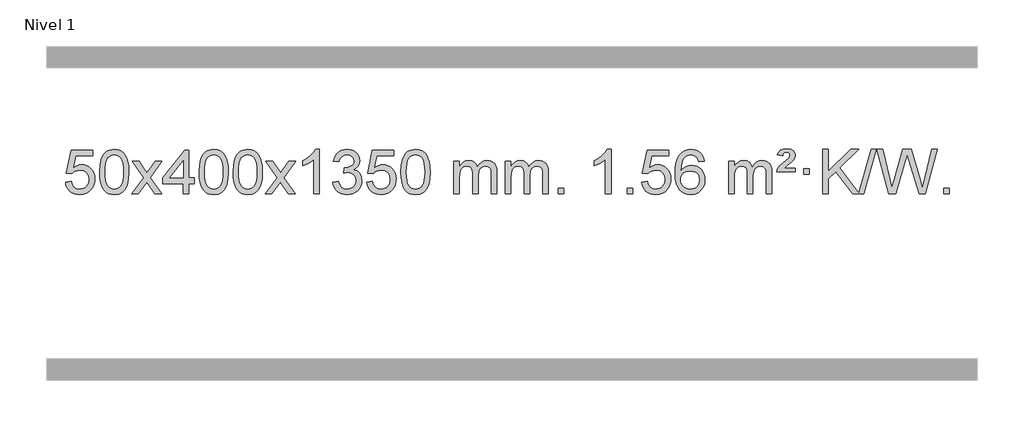
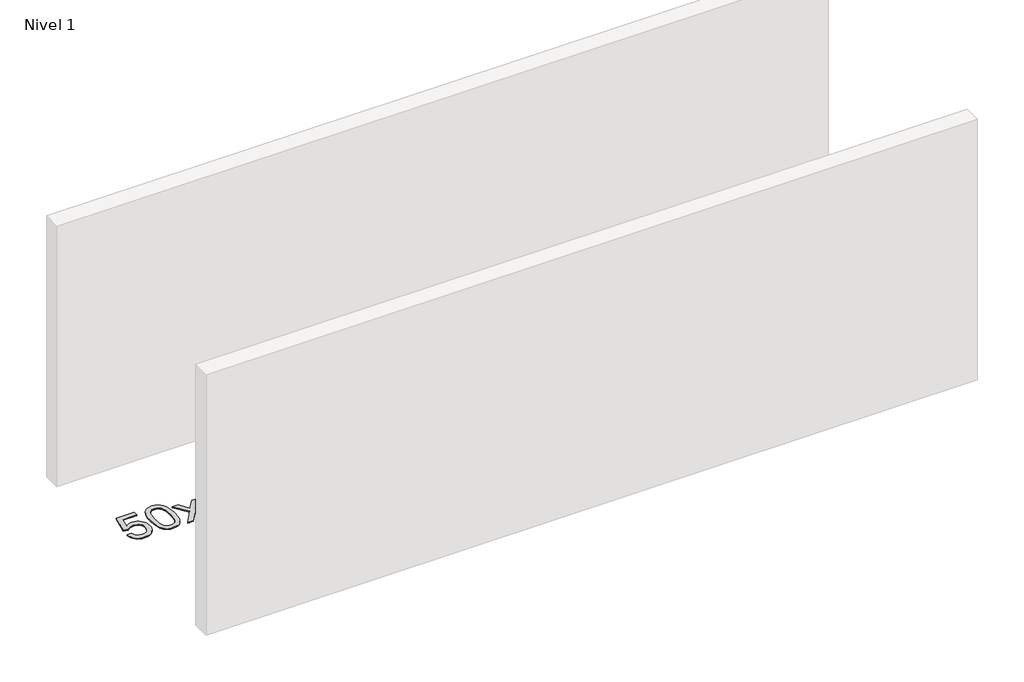
# One storey, part 4 of 7: 1 proxy.
"""IFC4 building model written with IfcOpenShell, lengths in millimetres."""

from ifc_helpers import new_model, si_unit, origin, origin_with_axes, place, context, project, spatial, polyline, outline, extrude, element, save

model = new_model("IFC4")

# Units and contexts
model_context = context("Model", 3, world=origin())
ifc_project = project(units=[si_unit("LENGTHUNIT", "METRE", prefix="MILLI")], contexts=[model_context])

# Site, building, storey
site = spatial("IfcSite", under=ifc_project)
building = spatial("IfcBuilding", under=site)
storey = spatial("IfcBuildingStorey", under=building, Name="Nivel 1", Elevation=0.0)

# Proxy
placement = place(None, origin())
element("IfcBuildingElementProxy", 1, Name="Texto de modelo 1", ObjectType="Texto de modelo 1", at=placement, inside=storey, context=model_context, shape_type="SweptSolid", body=[
    extrude(outline(polyline([(-26006.1697105, -9858.8446235), (-25955.9415554, -9852.5661041), (-25946.71998, -9882.7201649), (-25930.6312741, -9904.3148381), (-25907.749014, -9917.3010725), (-25878.1467761, -9921.6298173), (-25859.0169124, -9920.1245668), (-25842.1433915, -9915.6088153), (-25827.5262136, -9908.0825628), (-25815.1653786, -9897.5458094), (-25805.3367979, -9884.519721), (-25798.3163832, -9869.5254641), (-25792.7000514, -9833.6324441), (-25797.9607639, -9799.8363514), (-25804.5366546, -9785.9181493), (-25813.7429015, -9773.9865099), (-25825.6101615, -9764.4154467), (-25840.1690915, -9757.5789729), (-25877.3619612, -9752.1097939), (-25901.728012, -9754.2925604), (-25921.4587497, -9760.8408599), (-25937.2163618, -9770.8717757), (-25949.663036, -9783.5023908), (-25999.8911911, -9777.2238715), (-25955.9415554, -9570.0327318), (-25761.3074545, -9570.0327318), (-25761.3074545, -9620.2608869), (-25915.3273831, -9620.2608869), (-25936.8116916, -9730.919791), (-25919.0859108, -9718.2155994), (-25900.9309344, -9709.1411769), (-25882.3467623, -9703.6965234), (-25863.3333945, -9701.8816388), (-25838.8723075, -9704.1318504), (-25816.4039146, -9710.882485), (-25795.9282159, -9722.1335427), (-25777.4452113, -9737.8850234), (-25762.144386, -9757.1743027), (-25751.2152251, -9779.038756), (-25744.6577285, -9803.4783832), (-25742.4718963, -9830.4931844), (-25744.440065, -9856.5147042), (-25750.344571, -9880.7213394), (-25760.1854144, -9903.1130902), (-25773.9625951, -9923.6899565), (-25794.833767, -9944.7634634), (-25819.187555, -9959.8159684), (-25847.0239593, -9968.8474714), (-25878.3429799, -9971.8579724), (-25904.2633321, -9969.9235262), (-25927.6759554, -9964.1201877), (-25948.5808498, -9954.447957), (-25966.9780152, -9940.9068338), (-25982.2849719, -9924.1712688), (-25993.91924, -9904.915712), (-26001.8808195, -9883.1401636), (-26006.1697105, -9858.8446235)])), origin_with_axes(), (0.0, 0.0, 1.0), 10.0),
    extrude(outline(polyline([(-25698.5222606, -9767.9041943), (-25694.8311779, -9703.5861588), (-25683.7579299, -9652.2911459), (-25665.4128811, -9613.2343407), (-25653.5548181, -9598.0009605), (-25639.9063961, -9585.6309284), (-25624.4216298, -9576.0598651), (-25607.0545339, -9569.2233914), (-25566.6733536, -9563.7542124), (-25535.722215, -9566.991574), (-25508.0084381, -9576.7036586), (-25484.8318724, -9592.5103217), (-25467.4923677, -9614.0314184), (-25454.3957686, -9641.0830078), (-25443.94792, -9673.4811488), (-25437.1053149, -9714.6226186), (-25434.8244465, -9767.9041943), (-25438.478741, -9831.8543477), (-25449.4416244, -9883.0267333), (-25467.6763087, -9922.1203266), (-25479.5067805, -9937.3996922), (-25493.1460055, -9949.8341036), (-25508.6491659, -9959.4695462), (-25526.071444, -9966.3520052), (-25566.6733536, -9971.8579724), (-25594.3380796, -9969.4667394), (-25618.8635459, -9962.2930405), (-25640.2497526, -9950.3368757), (-25658.4966996, -9933.5982449), (-25676.0078825, -9903.3399508), (-25688.5158704, -9865.6381776), (-25696.0206631, -9820.4929255), (-25698.5222606, -9767.9041943)]), holes=[polyline([(-25648.2941056, -9767.8060924), (-25646.8225776, -9811.4706195), (-25642.4079936, -9846.8148822), (-25635.0503537, -9873.8388804), (-25624.7496579, -9892.5426142), (-25612.290721, -9905.2682656), (-25598.4583579, -9914.3580165), (-25583.2525688, -9919.8118671), (-25566.6733536, -9921.6298173), (-25550.0941383, -9919.8057357), (-25534.8883492, -9914.3334911), (-25521.0559862, -9905.2130833), (-25508.5970493, -9892.4445124), (-25498.2963534, -9873.7101217), (-25490.9387135, -9846.6922549), (-25486.5241295, -9811.3909118), (-25485.0526016, -9767.8060924), (-25486.4750786, -9725.2973278), (-25490.7425098, -9690.5753989), (-25497.854895, -9663.6403055), (-25507.8122343, -9644.4920476), (-25520.0627048, -9631.1440625), (-25534.0544833, -9621.6097875), (-25549.78757, -9615.8892225), (-25567.2619648, -9613.9823675), (-25583.7553409, -9615.6623619), (-25598.7036126, -9620.7023452), (-25612.10678, -9629.1023175), (-25623.9648429, -9640.8622786), (-25634.6088953, -9661.708925), (-25642.2117899, -9689.8151094), (-25646.7735266, -9725.1808319), (-25648.2941056, -9767.8060924)])]), origin_with_axes(), (0.0, 0.0, 1.0), 10.0),
    extrude(outline(polyline([(-25409.7103689, -9965.579453), (-25302.3869282, -9817.2494325), (-25403.4318496, -9670.4890419), (-25343.0011005, -9670.4890419), (-25294.2444734, -9741.122385), (-25271.4848406, -9774.4770192), (-25251.7663657, -9747.2047007), (-25196.2407099, -9670.4890419), (-25135.8099608, -9670.4890419), (-25241.9561791, -9817.2494325), (-25139.7340354, -9965.579453), (-25200.1647845, -9965.579453), (-25261.6746541, -9876.4048574), (-25272.9563686, -9860.1199477), (-25349.2796199, -9965.579453), (-25409.7103689, -9965.579453)])), origin_with_axes(), (0.0, 0.0, 1.0), 10.0),
    extrude(outline(polyline([(-24945.0999345, -9965.579453), (-24945.0999345, -9871.4016622), (-25127.1769967, -9871.4016622), (-25127.1769967, -9821.1735072), (-24932.5428957, -9570.0327318), (-24894.8717794, -9570.0327318), (-24894.8717794, -9821.1735072), (-24844.6436244, -9821.1735072), (-24844.6436244, -9871.4016622), (-24894.8717794, -9871.4016622), (-24894.8717794, -9965.579453), (-24945.0999345, -9965.579453)]), holes=[polyline([(-24945.0999345, -9821.1735072), (-24945.0999345, -9665.9763561), (-25065.3728215, -9821.1735072), (-24945.0999345, -9821.1735072)])]), origin_with_axes(), (0.0, 0.0, 1.0), 10.0),
    extrude(outline(polyline([(-24800.6939887, -9767.9041943), (-24797.002906, -9703.5861588), (-24785.9296579, -9652.2911459), (-24767.5846091, -9613.2343407), (-24755.7265461, -9598.0009605), (-24742.0781241, -9585.6309284), (-24726.5933578, -9576.0598651), (-24709.2262619, -9569.2233914), (-24668.8450816, -9563.7542124), (-24637.8939431, -9566.991574), (-24610.1801661, -9576.7036586), (-24587.0036004, -9592.5103217), (-24569.6640957, -9614.0314184), (-24556.5674967, -9641.0830078), (-24546.119648, -9673.4811488), (-24539.2770429, -9714.6226186), (-24536.9961745, -9767.9041943), (-24540.650469, -9831.8543477), (-24551.6133525, -9883.0267333), (-24569.8480367, -9922.1203266), (-24581.6785085, -9937.3996922), (-24595.3177335, -9949.8341036), (-24610.8208939, -9959.4695462), (-24628.2431721, -9966.3520052), (-24668.8450816, -9971.8579724), (-24696.5098076, -9969.4667394), (-24721.035274, -9962.2930405), (-24742.4214806, -9950.3368757), (-24760.6684276, -9933.5982449), (-24778.1796106, -9903.3399508), (-24790.6875984, -9865.6381776), (-24798.1923911, -9820.4929255), (-24800.6939887, -9767.9041943)]), holes=[polyline([(-24750.4658336, -9767.8060924), (-24748.9943056, -9811.4706195), (-24744.5797217, -9846.8148822), (-24737.2220818, -9873.8388804), (-24726.9213859, -9892.5426142), (-24714.462449, -9905.2682656), (-24700.630086, -9914.3580165), (-24685.4242968, -9919.8118671), (-24668.8450816, -9921.6298173), (-24652.2658663, -9919.8057357), (-24637.0600772, -9914.3334911), (-24623.2277142, -9905.2130833), (-24610.7687773, -9892.4445124), (-24600.4680814, -9873.7101217), (-24593.1104415, -9846.6922549), (-24588.6958576, -9811.3909118), (-24587.2243296, -9767.8060924), (-24588.6468066, -9725.2973278), (-24592.9142378, -9690.5753989), (-24600.026623, -9663.6403055), (-24609.9839624, -9644.4920476), (-24622.2344328, -9631.1440625), (-24636.2262114, -9621.6097875), (-24651.959298, -9615.8892225), (-24669.4336928, -9613.9823675), (-24685.9270689, -9615.6623619), (-24700.8753406, -9620.7023452), (-24714.278508, -9629.1023175), (-24726.136571, -9640.8622786), (-24736.7806234, -9661.708925), (-24744.3835179, -9689.8151094), (-24748.9452547, -9725.1808319), (-24750.4658336, -9767.8060924)])]), origin_with_axes(), (0.0, 0.0, 1.0), 10.0),
    extrude(outline(polyline([(-24493.0465388, -9767.9041943), (-24489.3554561, -9703.5861588), (-24478.2822081, -9652.2911459), (-24459.9371593, -9613.2343407), (-24448.0790963, -9598.0009605), (-24434.4306743, -9585.6309284), (-24418.945908, -9576.0598651), (-24401.5788121, -9569.2233914), (-24361.1976318, -9563.7542124), (-24330.2464932, -9566.991574), (-24302.5327163, -9576.7036586), (-24279.3561506, -9592.5103217), (-24262.0166459, -9614.0314184), (-24248.9200468, -9641.0830078), (-24238.4721982, -9673.4811488), (-24231.6295931, -9714.6226186), (-24229.3487247, -9767.9041943), (-24233.0030192, -9831.8543477), (-24243.9659026, -9883.0267333), (-24262.2005869, -9922.1203266), (-24274.0310587, -9937.3996922), (-24287.6702837, -9949.8341036), (-24303.1734441, -9959.4695462), (-24320.5957222, -9966.3520052), (-24361.1976318, -9971.8579724), (-24388.8623578, -9969.4667394), (-24413.3878241, -9962.2930405), (-24434.7740308, -9950.3368757), (-24453.0209778, -9933.5982449), (-24470.5321607, -9903.3399508), (-24483.0401486, -9865.6381776), (-24490.5449413, -9820.4929255), (-24493.0465388, -9767.9041943)]), holes=[polyline([(-24442.8183838, -9767.8060924), (-24441.3468558, -9811.4706195), (-24436.9322718, -9846.8148822), (-24429.5746319, -9873.8388804), (-24419.2739361, -9892.5426142), (-24406.8149992, -9905.2682656), (-24392.9826361, -9914.3580165), (-24377.776847, -9919.8118671), (-24361.1976318, -9921.6298173), (-24344.6184165, -9919.8057357), (-24329.4126274, -9914.3334911), (-24315.5802644, -9905.2130833), (-24303.1213275, -9892.4445124), (-24292.8206316, -9873.7101217), (-24285.4629917, -9846.6922549), (-24281.0484077, -9811.3909118), (-24279.5768798, -9767.8060924), (-24280.9993568, -9725.2973278), (-24285.266788, -9690.5753989), (-24292.3791732, -9663.6403055), (-24302.3365125, -9644.4920476), (-24314.586983, -9631.1440625), (-24328.5787615, -9621.6097875), (-24344.3118482, -9615.8892225), (-24361.786243, -9613.9823675), (-24378.2796191, -9615.6623619), (-24393.2278908, -9620.7023452), (-24406.6310582, -9629.1023175), (-24418.4891211, -9640.8622786), (-24429.1331735, -9661.708925), (-24436.7360681, -9689.8151094), (-24441.2978048, -9725.1808319), (-24442.8183838, -9767.8060924)])]), origin_with_axes(), (0.0, 0.0, 1.0), 10.0),
    extrude(outline(polyline([(-24204.2346472, -9965.579453), (-24096.9112064, -9817.2494325), (-24197.9561278, -9670.4890419), (-24137.5253787, -9670.4890419), (-24088.7687516, -9741.122385), (-24066.0091188, -9774.4770192), (-24046.2906439, -9747.2047007), (-23990.7649881, -9670.4890419), (-23930.334239, -9670.4890419), (-24036.4804574, -9817.2494325), (-23934.2583136, -9965.579453), (-23994.6890627, -9965.579453), (-24056.1989323, -9876.4048574), (-24067.4806468, -9860.1199477), (-24143.8038981, -9965.579453), (-24204.2346472, -9965.579453)])), origin_with_axes(), (0.0, 0.0, 1.0), 10.0),
    extrude(outline(polyline([(-23714.5101352, -9965.579453), (-23764.7382902, -9965.579453), (-23764.7382902, -9652.4382987), (-23785.707564, -9669.3976587), (-23812.317695, -9686.3324932), (-23865.1946004, -9711.6918254), (-23865.1946004, -9664.2105225), (-23825.7453878, -9642.7507395), (-23791.5691504, -9617.219729), (-23764.6279257, -9590.0700378), (-23746.8837508, -9563.7542124), (-23714.5101352, -9563.7542124), (-23714.5101352, -9965.579453)])), origin_with_axes(), (0.0, 0.0, 1.0), 10.0),
    extrude(outline(polyline([(-23595.2182669, -9858.8446235), (-23544.9901118, -9852.5661041), (-23533.7451855, -9884.1303793), (-23517.2763348, -9905.4430095), (-23494.7742195, -9917.5831154), (-23465.429499, -9921.6298173), (-23430.9957442, -9916.0625364), (-23416.7219228, -9909.1034354), (-23404.4101387, -9899.3606939), (-23387.4139905, -9874.4428201), (-23381.7486078, -9844.2274455), (-23387.3649396, -9815.5449126), (-23404.213935, -9792.2825078), (-23429.72042, -9776.8682522), (-23461.3092206, -9771.730167), (-23496.5277903, -9777.2238715), (-23490.935984, -9726.9957164), (-23482.891631, -9727.5843276), (-23452.7988838, -9723.979084), (-23425.8944472, -9713.1633534), (-23414.8211992, -9704.9841103), (-23406.9117363, -9694.8673555), (-23402.1660585, -9682.8130888), (-23400.584166, -9668.8213102), (-23405.1704282, -9647.1285352), (-23418.9292148, -9629.5315131), (-23439.923014, -9617.8696539), (-23466.2143139, -9613.9823675), (-23492.5546648, -9617.9064421), (-23514.0880242, -9629.6786659), (-23529.8088481, -9649.299039), (-23538.7115924, -9676.7675613), (-23588.9397475, -9670.4890419), (-23582.9861905, -9646.5092672), (-23574.1508913, -9625.3867093), (-23562.4338497, -9607.1213683), (-23547.8350659, -9591.713244), (-23530.8143922, -9579.4811677), (-23511.8316813, -9570.7439703), (-23490.886933, -9565.5016519), (-23467.9801475, -9563.7542124), (-23436.4036096, -9567.2000404), (-23407.4022456, -9577.5375245), (-23382.9503557, -9593.8469596), (-23365.0222398, -9615.2086408), (-23354.0225681, -9639.8199463), (-23350.3560109, -9665.8782543), (-23353.8386271, -9690.1584659), (-23364.2864758, -9712.1823347), (-23381.5524041, -9730.9443165), (-23405.4892592, -9745.4388671), (-23374.0476114, -9758.1430586), (-23350.7484183, -9779.77452), (-23336.3274441, -9809.1560286), (-23331.5204527, -9845.1103623), (-23333.9239484, -9870.5923218), (-23341.1344355, -9894.0631931), (-23353.151914, -9915.5229762), (-23369.976384, -9934.971671), (-23390.4735425, -9951.1094278), (-23413.5090867, -9962.636397), (-23439.0830168, -9969.5525785), (-23467.1953326, -9971.8579724), (-23492.6037157, -9969.8898037), (-23515.7557559, -9963.9852977), (-23536.6514532, -9954.1444543), (-23555.2908077, -9940.3672736), (-23570.9196611, -9923.4630959), (-23582.7838554, -9904.2412617), (-23590.8833907, -9882.7017708), (-23595.2182669, -9858.8446235)])), origin_with_axes(), (0.0, 0.0, 1.0), 10.0),
    extrude(outline(polyline([(-23287.570817, -9858.8446235), (-23237.342662, -9852.5661041), (-23228.1210866, -9882.7201649), (-23212.0323807, -9904.3148381), (-23189.1501206, -9917.3010725), (-23159.5478827, -9921.6298173), (-23140.418019, -9920.1245668), (-23123.5444981, -9915.6088153), (-23108.9273202, -9908.0825628), (-23096.5664851, -9897.5458094), (-23086.7379045, -9884.519721), (-23079.7174898, -9869.5254641), (-23074.101158, -9833.6324441), (-23079.3618705, -9799.8363514), (-23085.9377612, -9785.9181493), (-23095.1440081, -9773.9865099), (-23107.0112681, -9764.4154467), (-23121.5701981, -9757.5789729), (-23158.7630678, -9752.1097939), (-23183.1291186, -9754.2925604), (-23202.8598563, -9760.8408599), (-23218.6174684, -9770.8717757), (-23231.0641426, -9783.5023908), (-23281.2922977, -9777.2238715), (-23237.342662, -9570.0327318), (-23042.708561, -9570.0327318), (-23042.708561, -9620.2608869), (-23196.7284897, -9620.2608869), (-23218.2127982, -9730.919791), (-23200.4870174, -9718.2155994), (-23182.332041, -9709.1411769), (-23163.7478688, -9703.6965234), (-23144.734501, -9701.8816388), (-23120.273414, -9704.1318504), (-23097.8050212, -9710.882485), (-23077.3293225, -9722.1335427), (-23058.8463179, -9737.8850234), (-23043.5454926, -9757.1743027), (-23032.6163316, -9779.038756), (-23026.0588351, -9803.4783832), (-23023.8730029, -9830.4931844), (-23025.8411716, -9856.5147042), (-23031.7456776, -9880.7213394), (-23041.586521, -9903.1130902), (-23055.3637017, -9923.6899565), (-23076.2348735, -9944.7634634), (-23100.5886616, -9959.8159684), (-23128.4250659, -9968.8474714), (-23159.7440864, -9971.8579724), (-23185.6644387, -9969.9235262), (-23209.077062, -9964.1201877), (-23229.9819564, -9954.447957), (-23248.3791218, -9940.9068338), (-23263.6860785, -9924.1712688), (-23275.3203466, -9904.915712), (-23283.2819261, -9883.1401636), (-23287.570817, -9858.8446235)])), origin_with_axes(), (0.0, 0.0, 1.0), 10.0),
    extrude(outline(polyline([(-22979.9233672, -9767.9041943), (-22976.2322845, -9703.5861588), (-22965.1590365, -9652.2911459), (-22946.8139876, -9613.2343407), (-22934.9559247, -9598.0009605), (-22921.3075026, -9585.6309284), (-22905.8227363, -9576.0598651), (-22888.4556405, -9569.2233914), (-22848.0744601, -9563.7542124), (-22817.1233216, -9566.991574), (-22789.4095446, -9576.7036586), (-22766.2329789, -9592.5103217), (-22748.8934742, -9614.0314184), (-22735.7968752, -9641.0830078), (-22725.3490265, -9673.4811488), (-22718.5064214, -9714.6226186), (-22716.2255531, -9767.9041943), (-22719.8798475, -9831.8543477), (-22730.842731, -9883.0267333), (-22749.0774152, -9922.1203266), (-22760.9078871, -9937.3996922), (-22774.547112, -9949.8341036), (-22790.0502724, -9959.4695462), (-22807.4725506, -9966.3520052), (-22848.0744601, -9971.8579724), (-22875.7391862, -9969.4667394), (-22900.2646525, -9962.2930405), (-22921.6508592, -9950.3368757), (-22939.8978061, -9933.5982449), (-22957.4089891, -9903.3399508), (-22969.9169769, -9865.6381776), (-22977.4217696, -9820.4929255), (-22979.9233672, -9767.9041943)]), holes=[polyline([(-22929.6952121, -9767.8060924), (-22928.2236842, -9811.4706195), (-22923.8091002, -9846.8148822), (-22916.4514603, -9873.8388804), (-22906.1507644, -9892.5426142), (-22893.6918275, -9905.2682656), (-22879.8594645, -9914.3580165), (-22864.6536754, -9919.8118671), (-22848.0744601, -9921.6298173), (-22831.4952449, -9919.8057357), (-22816.2894558, -9914.3334911), (-22802.4570927, -9905.2130833), (-22789.9981558, -9892.4445124), (-22779.69746, -9873.7101217), (-22772.3398201, -9846.6922549), (-22767.9252361, -9811.3909118), (-22766.4537081, -9767.8060924), (-22767.8761852, -9725.2973278), (-22772.1436163, -9690.5753989), (-22779.2560016, -9663.6403055), (-22789.2133409, -9644.4920476), (-22801.4638113, -9631.1440625), (-22815.4555899, -9621.6097875), (-22831.1886766, -9615.8892225), (-22848.6630713, -9613.9823675), (-22865.1564474, -9615.6623619), (-22880.1047192, -9620.7023452), (-22893.5078865, -9629.1023175), (-22905.3659495, -9640.8622786), (-22916.0100019, -9661.708925), (-22923.6128965, -9689.8151094), (-22928.1746332, -9725.1808319), (-22929.6952121, -9767.8060924)])]), origin_with_axes(), (0.0, 0.0, 1.0), 10.0),
    extrude(outline(polyline([(-22502.755894, -9965.579453), (-22502.755894, -9670.4890419), (-22452.5277389, -9670.4890419), (-22452.5277389, -9719.0494653), (-22437.4200517, -9696.7435536), (-22417.9958823, -9679.2691589), (-22394.9174185, -9667.9751816), (-22368.8468478, -9664.2105225), (-22340.9123416, -9668.048758), (-22318.5205908, -9679.5634645), (-22301.7942228, -9697.9943524), (-22290.8558648, -9722.5811324), (-22272.5476041, -9697.0439906), (-22251.6641696, -9678.803175), (-22228.205561, -9667.8586857), (-22202.1717785, -9664.2105225), (-22182.0639617, -9665.7280358), (-22164.414823, -9670.2805755), (-22149.2243623, -9677.8681416), (-22136.4925796, -9688.4907342), (-22126.4279413, -9702.2709806), (-22119.238914, -9719.3315082), (-22114.9254976, -9739.6723168), (-22113.4876922, -9763.2934066), (-22113.4876922, -9965.579453), (-22163.7158472, -9965.579453), (-22163.7158472, -9784.875817), (-22164.8808069, -9759.8230531), (-22168.3756858, -9742.9372695), (-22174.9239854, -9731.3735121), (-22185.2492067, -9722.2868268), (-22198.5297467, -9716.4007149), (-22213.9440023, -9714.4386776), (-22241.1550072, -9719.4663982), (-22263.3382915, -9734.54956), (-22271.9436645, -9746.1194488), (-22278.0903595, -9760.7182326), (-22283.0077155, -9799.0024856), (-22283.0077155, -9965.579453), (-22333.2358706, -9965.579453), (-22333.2358706, -9779.2840106), (-22336.1421384, -9750.8835206), (-22344.8609417, -9730.6254854), (-22360.2016209, -9718.4853796), (-22382.9735164, -9714.4386776), (-22402.3241093, -9717.1364789), (-22420.1541233, -9725.2298828), (-22434.8694032, -9738.5226856), (-22444.8757934, -9756.8186835), (-22450.6147525, -9782.2025411), (-22452.5277389, -9816.7589232), (-22452.5277389, -9965.579453), (-22502.755894, -9965.579453)])), origin_with_axes(), (0.0, 0.0, 1.0), 10.0),
    extrude(outline(polyline([(-22038.1454596, -9965.579453), (-22038.1454596, -9670.4890419), (-21987.9173045, -9670.4890419), (-21987.9173045, -9719.0494653), (-21972.8096172, -9696.7435536), (-21953.3854479, -9679.2691589), (-21930.306984, -9667.9751816), (-21904.2364133, -9664.2105225), (-21876.3019071, -9668.048758), (-21853.9101564, -9679.5634645), (-21837.1837883, -9697.9943524), (-21826.2454303, -9722.5811324), (-21807.9371697, -9697.0439906), (-21787.0537351, -9678.803175), (-21763.5951266, -9667.8586857), (-21737.561344, -9664.2105225), (-21717.4535273, -9665.7280358), (-21699.8043886, -9670.2805755), (-21684.6139279, -9677.8681416), (-21671.8821452, -9688.4907342), (-21661.8175069, -9702.2709806), (-21654.6284796, -9719.3315082), (-21650.3150632, -9739.6723168), (-21648.8772577, -9763.2934066), (-21648.8772577, -9965.579453), (-21699.1054128, -9965.579453), (-21699.1054128, -9784.875817), (-21700.2703724, -9759.8230531), (-21703.7652514, -9742.9372695), (-21710.3135509, -9731.3735121), (-21720.6387722, -9722.2868268), (-21733.9193123, -9716.4007149), (-21749.3335679, -9714.4386776), (-21776.5445728, -9719.4663982), (-21798.7278571, -9734.54956), (-21807.3332301, -9746.1194488), (-21813.4799251, -9760.7182326), (-21818.3972811, -9799.0024856), (-21818.3972811, -9965.579453), (-21868.6254362, -9965.579453), (-21868.6254362, -9779.2840106), (-21871.5317039, -9750.8835206), (-21880.2505072, -9730.6254854), (-21895.5911864, -9718.4853796), (-21918.3630819, -9714.4386776), (-21937.7136749, -9717.1364789), (-21955.5436889, -9725.2298828), (-21970.2589687, -9738.5226856), (-21980.265359, -9756.8186835), (-21986.0043181, -9782.2025411), (-21987.9173045, -9816.7589232), (-21987.9173045, -9965.579453), (-22038.1454596, -9965.579453)])), origin_with_axes(), (0.0, 0.0, 1.0), 10.0),
    extrude(outline(polyline([(-21560.9779863, -9965.579453), (-21560.9779863, -9915.3512979), (-21510.7498313, -9915.3512979), (-21510.7498313, -9965.579453), (-21560.9779863, -9965.579453)])), origin_with_axes(), (0.0, 0.0, 1.0), 10.0),
    extrude(outline(polyline([(-21083.8105131, -9965.579453), (-21134.0386682, -9965.579453), (-21134.0386682, -9652.4382987), (-21155.0079419, -9669.3976587), (-21181.6180729, -9686.3324932), (-21234.4949784, -9711.6918254), (-21234.4949784, -9664.2105225), (-21195.0457657, -9642.7507395), (-21160.8695284, -9617.219729), (-21133.9283036, -9590.0700378), (-21116.1841287, -9563.7542124), (-21083.8105131, -9563.7542124), (-21083.8105131, -9965.579453)])), origin_with_axes(), (0.0, 0.0, 1.0), 10.0),
    extrude(outline(polyline([(-20939.4045673, -9965.579453), (-20939.4045673, -9915.3512979), (-20889.1764122, -9915.3512979), (-20889.1764122, -9965.579453), (-20939.4045673, -9965.579453)])), origin_with_axes(), (0.0, 0.0, 1.0), 10.0),
    extrude(outline(polyline([(-20807.5556602, -9858.8446235), (-20757.3275051, -9852.5661041), (-20748.1059298, -9882.7201649), (-20732.0172239, -9904.3148381), (-20709.1349638, -9917.3010725), (-20679.5327259, -9921.6298173), (-20660.4028621, -9920.1245668), (-20643.5293413, -9915.6088153), (-20628.9121634, -9908.0825628), (-20616.5513283, -9897.5458094), (-20606.7227477, -9884.519721), (-20599.7023329, -9869.5254641), (-20594.0860012, -9833.6324441), (-20599.3467137, -9799.8363514), (-20605.9226043, -9785.9181493), (-20615.1288513, -9773.9865099), (-20626.9961113, -9764.4154467), (-20641.5550413, -9757.5789729), (-20678.747911, -9752.1097939), (-20703.1139618, -9754.2925604), (-20722.8446995, -9760.8408599), (-20738.6023116, -9770.8717757), (-20751.0489858, -9783.5023908), (-20801.2771408, -9777.2238715), (-20757.3275051, -9570.0327318), (-20562.6934042, -9570.0327318), (-20562.6934042, -9620.2608869), (-20716.7133329, -9620.2608869), (-20738.1976414, -9730.919791), (-20720.4718606, -9718.2155994), (-20702.3168841, -9709.1411769), (-20683.732712, -9703.6965234), (-20664.7193442, -9701.8816388), (-20640.2582572, -9704.1318504), (-20617.7898644, -9710.882485), (-20597.3141657, -9722.1335427), (-20578.8311611, -9737.8850234), (-20563.5303358, -9757.1743027), (-20552.6011748, -9779.038756), (-20546.0436783, -9803.4783832), (-20543.8578461, -9830.4931844), (-20545.8260148, -9856.5147042), (-20551.7305208, -9880.7213394), (-20561.5713641, -9903.1130902), (-20575.3485449, -9923.6899565), (-20596.2197167, -9944.7634634), (-20620.5735048, -9959.8159684), (-20648.4099091, -9968.8474714), (-20679.7289296, -9971.8579724), (-20705.6492819, -9969.9235262), (-20729.0619052, -9964.1201877), (-20749.9667996, -9954.447957), (-20768.363965, -9940.9068338), (-20783.6709217, -9924.1712688), (-20795.3051898, -9904.915712), (-20803.2667693, -9883.1401636), (-20807.5556602, -9858.8446235)])), origin_with_axes(), (0.0, 0.0, 1.0), 10.0),
    extrude(outline(polyline([(-20242.4889156, -9670.4890419), (-20292.7170707, -9676.7675613), (-20300.8104746, -9651.874213), (-20311.7488326, -9634.8780648), (-20334.5329908, -9619.2062918), (-20362.0750895, -9613.9823675), (-20385.4233335, -9617.0235253), (-20407.3981513, -9626.1469988), (-20426.2704977, -9645.3627017), (-20441.6847533, -9671.8134171), (-20452.0958137, -9709.227016), (-20455.9585747, -9761.3313693), (-20435.8109041, -9737.8237098), (-20411.6655825, -9721.2567573), (-20384.8715105, -9711.434308), (-20356.7775888, -9708.1601582), (-20332.6445299, -9710.398107), (-20310.3754065, -9717.1119534), (-20289.9702185, -9728.3016975), (-20271.4289659, -9743.9673391), (-20256.0208417, -9763.1769106), (-20245.0150387, -9784.9984443), (-20238.4115568, -9809.4319401), (-20236.2103962, -9836.4773982), (-20240.3552001, -9872.4439945), (-20252.7896115, -9905.786366), (-20272.483561, -9934.0642287), (-20298.4069789, -9954.8372987), (-20329.3826429, -9967.602804), (-20364.2333306, -9971.8579724), (-20394.1758593, -9969.0375437), (-20421.2182516, -9960.5762579), (-20445.3605076, -9946.4741147), (-20466.6026271, -9926.7311143), (-20483.920672, -9900.5133908), (-20496.2907041, -9866.9870783), (-20503.7127234, -9826.1521768), (-20506.1867298, -9778.0086864), (-20503.4398775, -9724.0342663), (-20495.1993208, -9677.9693092), (-20481.4650597, -9639.8138149), (-20462.2370941, -9609.5677835), (-20441.3965791, -9589.5243462), (-20417.2328633, -9575.2076052), (-20389.7459469, -9566.6175606), (-20358.9358298, -9563.7542124), (-20335.8021837, -9565.5261773), (-20314.8635668, -9570.8420722), (-20296.1199792, -9579.7018969), (-20279.5714207, -9592.1056515), (-20265.6654813, -9607.6364031), (-20254.8497507, -9625.8772186), (-20247.1242288, -9646.8280983), (-20242.4889156, -9670.4890419)]), holes=[polyline([(-20455.9585747, -9835.6925832), (-20453.0523069, -9857.9494439), (-20444.3335036, -9879.2007605), (-20430.7954462, -9897.472233), (-20413.4314161, -9910.7895612), (-20392.4744051, -9918.9197533), (-20368.1574052, -9921.6298173), (-20335.0112374, -9916.0134855), (-20321.0961009, -9908.9930708), (-20308.9529294, -9899.1644901), (-20299.102889, -9886.9262824), (-20292.0671458, -9872.6769865), (-20286.4385513, -9838.1451299), (-20291.9935694, -9804.9989621), (-20298.9373421, -9791.3781312), (-20308.6586238, -9779.725469), (-20320.8385836, -9770.3904634), (-20335.1583902, -9763.7226022), (-20370.2175444, -9758.3883133), (-20403.3146612, -9763.7226022), (-20430.99165, -9779.725469), (-20441.9146795, -9791.2248471), (-20449.7168435, -9804.3858254), (-20454.3981419, -9819.2084042), (-20455.9585747, -9835.6925832)])]), origin_with_axes(), (0.0, 0.0, 1.0), 10.0),
    extrude(outline(polyline([(-20022.7407372, -9965.579453), (-20022.7407372, -9670.4890419), (-19972.5125821, -9670.4890419), (-19972.5125821, -9719.0494653), (-19957.4048948, -9696.7435536), (-19937.9807255, -9679.2691589), (-19914.9022617, -9667.9751816), (-19888.8316909, -9664.2105225), (-19860.8971848, -9668.048758), (-19838.505434, -9679.5634645), (-19821.7790659, -9697.9943524), (-19810.840708, -9722.5811324), (-19792.5324473, -9697.0439906), (-19771.6490127, -9678.803175), (-19748.1904042, -9667.8586857), (-19722.1566217, -9664.2105225), (-19702.0488049, -9665.7280358), (-19684.3996662, -9670.2805755), (-19669.2092055, -9677.8681416), (-19656.4774228, -9688.4907342), (-19646.4127845, -9702.2709806), (-19639.2237572, -9719.3315082), (-19634.9103408, -9739.6723168), (-19633.4725353, -9763.2934066), (-19633.4725353, -9965.579453), (-19683.7006904, -9965.579453), (-19683.7006904, -9784.875817), (-19684.8656501, -9759.8230531), (-19688.360529, -9742.9372695), (-19694.9088285, -9731.3735121), (-19705.2340499, -9722.2868268), (-19718.5145899, -9716.4007149), (-19733.9288455, -9714.4386776), (-19761.1398504, -9719.4663982), (-19783.3231347, -9734.54956), (-19791.9285077, -9746.1194488), (-19798.0752027, -9760.7182326), (-19802.9925587, -9799.0024856), (-19802.9925587, -9965.579453), (-19853.2207138, -9965.579453), (-19853.2207138, -9779.2840106), (-19856.1269816, -9750.8835206), (-19864.8457848, -9730.6254854), (-19880.186464, -9718.4853796), (-19902.9583595, -9714.4386776), (-19922.3089525, -9717.1364789), (-19940.1389665, -9725.2298828), (-19954.8542463, -9738.5226856), (-19964.8606366, -9756.8186835), (-19970.5995957, -9782.2025411), (-19972.5125821, -9816.7589232), (-19972.5125821, -9965.579453), (-20022.7407372, -9965.579453)])), origin_with_axes(), (0.0, 0.0, 1.0), 10.0),
    extrude(outline(polyline([(-19589.5228997, -9764.6668327), (-19585.6969269, -9748.8479069), (-19577.3582683, -9732.9799302), (-19555.8494344, -9707.8413272), (-19523.8927517, -9680.1030247), (-19479.7469123, -9642.726214), (-19472.6100016, -9631.1992448), (-19470.2310314, -9619.3779701), (-19472.1194923, -9607.2869152), (-19477.784875, -9597.5012541), (-19487.1536031, -9591.026531), (-19500.1521003, -9588.8682899), (-19512.5865117, -9590.4869707), (-19521.4402051, -9595.343013), (-19527.8658773, -9604.8098431), (-19533.0162252, -9620.2608869), (-19583.2443803, -9613.9823675), (-19572.4041241, -9588.7701881), (-19555.775858, -9571.2099542), (-19532.0106811, -9560.9092583), (-19499.7596928, -9557.475693), (-19463.9770374, -9561.6082341), (-19439.2308419, -9574.0058573), (-19424.8098677, -9592.3386434), (-19420.0028763, -9614.2766731), (-19424.0986292, -9637.1834586), (-19436.3858878, -9658.8149199), (-19456.9137031, -9678.6314968), (-19493.3830716, -9706.6886303), (-19518.9876584, -9733.2742358), (-19420.0028763, -9733.2742358), (-19420.0028763, -9764.6668327), (-19589.5228997, -9764.6668327)])), origin_with_axes(), (0.0, 0.0, 1.0), 10.0),
    extrude(outline(polyline([(-19344.6606437, -9789.7809102), (-19344.6606437, -9739.5527552), (-19294.4324886, -9739.5527552), (-19294.4324886, -9789.7809102), (-19344.6606437, -9789.7809102)])), origin_with_axes(), (0.0, 0.0, 1.0), 10.0),
    extrude(outline(polyline([(-18903.7908606, -9965.579453), (-19057.2221781, -9762.9009991), (-19124.9124652, -9827.4520265), (-19124.9124652, -9965.579453), (-19175.1406203, -9965.579453), (-19175.1406203, -9563.7542124), (-19124.9124652, -9563.7542124), (-19124.9124652, -9760.4484525), (-18918.8985479, -9563.7542124), (-18848.6576123, -9563.7542124), (-19021.611201, -9728.9577537), (-18846.9575911, -9959.5349332), (-18735.6442634, -9563.7542124), (-18690.3212016, -9563.7542124), (-18803.3345505, -9965.579453), (-18842.3790929, -9965.579453), (-18848.6576123, -9965.579453), (-18903.7908606, -9965.579453)])), origin_with_axes(), (0.0, 0.0, 1.0), 10.0),
    extrude(outline(polyline([(-18575.8363247, -9965.579453), (-18685.4161083, -9563.7542124), (-18633.6183234, -9563.7542124), (-18570.0483146, -9827.844434), (-18550.4279415, -9909.3670841), (-18529.4341424, -9837.2622131), (-18449.7754277, -9563.7542124), (-18375.1199081, -9563.7542124), (-18317.2398075, -9762.0180823), (-18292.4445611, -9835.5944814), (-18274.1730886, -9909.3670841), (-18255.1413268, -9830.1988788), (-18190.9827068, -9563.7542124), (-18139.1849219, -9563.7542124), (-18248.8628074, -9965.579453), (-18302.5245277, -9965.579453), (-18398.8605595, -9655.5775584), (-18412.3005151, -9612.3146358), (-18427.4082024, -9664.4067263), (-18515.2093719, -9965.579453), (-18575.8363247, -9965.579453)])), origin_with_axes(), (0.0, 0.0, 1.0), 10.0),
    extrude(outline(polyline([(-18082.6782474, -9965.579453), (-18082.6782474, -9915.3512979), (-18032.4500923, -9915.3512979), (-18032.4500923, -9965.579453), (-18082.6782474, -9965.579453)])), origin_with_axes(), (0.0, 0.0, 1.0), 10.0),
])

save(model, "model.ifc")
